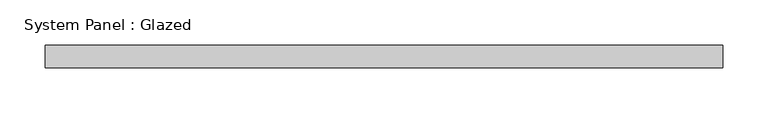
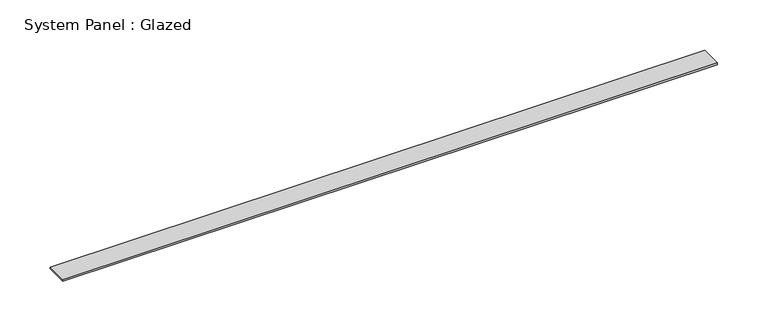
"""IFC4 building model written with IfcOpenShell, lengths in millimetres: plate geometry, System Panel : Glazed."""

from ifc_helpers import new_model, si_unit, origin, origin_with_axes, place, context, project, spatial, polyline, outline, extrude, source, transform, mapped, element, save


def system_panel_glazed_003abb00(model_context):
    return source(origin(), model_context, "Body", "SweptSolid", [
        extrude(outline(polyline([(374.9999998, 24.5), (-374.9999998, 24.5), (-374.9999998, 49.5), (374.9999998, 49.5), (374.9999998, 24.5)])), origin_with_axes(), (0.0, 0.0, 1.0), 2.0),
    ])


if __name__ == "__main__":
    model = new_model("IFC4")
    model_context = context("Model", 3, world=origin())
    ifc_project = project(units=[si_unit("LENGTHUNIT", "METRE", prefix="MILLI")], contexts=[model_context])
    site = spatial("IfcSite", under=ifc_project)
    building = spatial("IfcBuilding", under=site)
    placement = place(None, origin())
    system_panel_glazed_shape = system_panel_glazed_003abb00(model_context)
    element("IfcPlate", 1, ObjectType="System Panel : Glazed", at=placement, inside=building, context=model_context, shape_type="MappedRepresentation", body=[
        mapped(system_panel_glazed_shape, transform((0.0, 0.0, 0.0), x_axis=(1.0, 0.0, 0.0), y_axis=(0.0, 1.0, 0.0), z_axis=(0.0, 0.0, 1.0))),
    ])
    save(model, "model.ifc")
